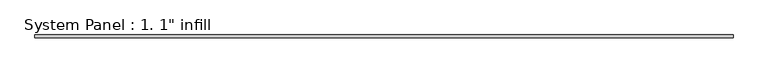
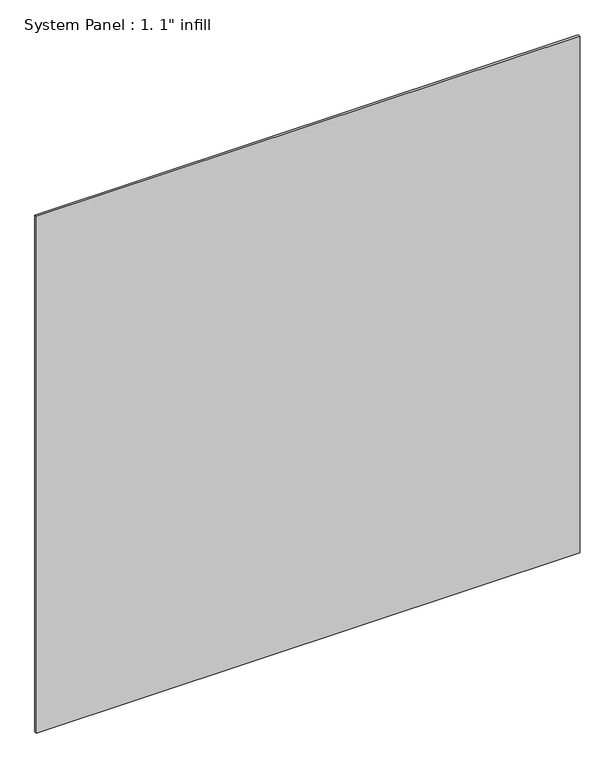
"""IFC4 building model written with IfcOpenShell, lengths in millimetres: plate geometry."""

from ifc_helpers import new_model, si_unit, origin, origin_with_axes, place, context, project, spatial, polyline, outline, extrude, source, transform, mapped, element, save


def plate_712eb52d(model_context):
    return source(origin(), model_context, "Body", "SweptSolid", [
        extrude(outline(polyline([(3000.375, -12.7), (-3000.375, -12.7), (-3000.375, 12.7), (3000.375, 12.7), (3000.375, -12.7)])), origin_with_axes(), (0.0, 0.0, 1.0), 6026.9907666),
    ])


if __name__ == "__main__":
    model = new_model("IFC4")
    model_context = context("Model", 3, world=origin())
    ifc_project = project(units=[si_unit("LENGTHUNIT", "METRE", prefix="MILLI")], contexts=[model_context])
    site = spatial("IfcSite", under=ifc_project)
    building = spatial("IfcBuilding", under=site)
    placement = place(None, origin())
    plate_shape = plate_712eb52d(model_context)
    element("IfcPlate", 1, ObjectType="System Panel : 1. 1\" infill", at=placement, inside=building, context=model_context, shape_type="MappedRepresentation", body=[
        mapped(plate_shape, transform((0.0, 0.0, 0.0), x_axis=(1.0, 0.0, 0.0), y_axis=(0.0, 1.0, 0.0), z_axis=(0.0, 0.0, 1.0))),
    ])
    save(model, "model.ifc")
